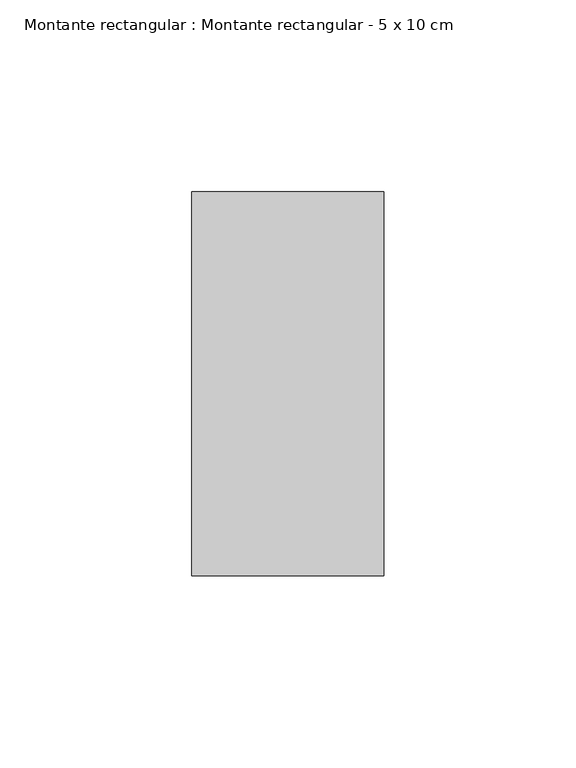
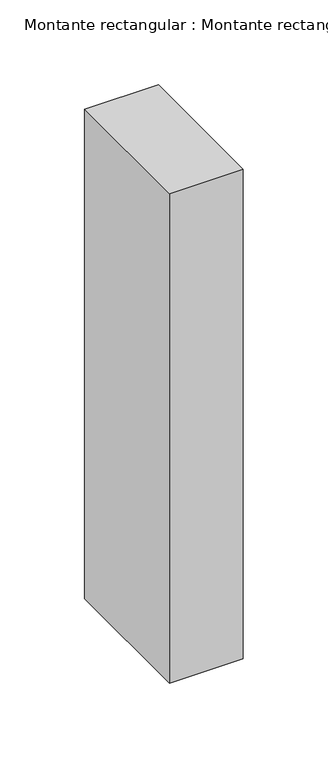
"""IFC4 building model written with IfcOpenShell, lengths in millimetres: member geometry, Montante rectangular : Montante rectangular - 5 x 10 cm."""

from ifc_helpers import new_model, si_unit, frame, origin, place, context, project, spatial, polyline, outline, extrude, source, transform, mapped, element, save


def montante_rectangular_montante_rectangular_5_x_10_cm_32ddd622(model_context):
    return source(origin(), model_context, "Body", "SweptSolid", [
        extrude(outline(polyline([(-50.0, 50.0), (0.0, 50.0), (0.0, -50.0), (-50.0, -50.0), (-50.0, 50.0)])), frame((0.0, 0.0, -351.6666667), z_axis=(0.0, 0.0, 1.0), x_axis=(1.0, 0.0, 0.0)), (0.0, 0.0, 1.0), 351.6666667),
    ])


if __name__ == "__main__":
    model = new_model("IFC4")
    model_context = context("Model", 3, world=origin())
    ifc_project = project(units=[si_unit("LENGTHUNIT", "METRE", prefix="MILLI")], contexts=[model_context])
    site = spatial("IfcSite", under=ifc_project)
    building = spatial("IfcBuilding", under=site)
    placement = place(None, origin())
    montante_rectangular_montante_rectangular_5_x_10_cm_shape = montante_rectangular_montante_rectangular_5_x_10_cm_32ddd622(model_context)
    element("IfcMember", 1, ObjectType="Montante rectangular : Montante rectangular - 5 x 10 cm", at=placement, inside=building, context=model_context, shape_type="MappedRepresentation", body=[
        mapped(montante_rectangular_montante_rectangular_5_x_10_cm_shape, transform((0.0, 0.0, 0.0), x_axis=(1.0, 0.0, 0.0), y_axis=(0.0, 1.0, 0.0), z_axis=(0.0, 0.0, 1.0))),
    ])
    save(model, "model.ifc")
